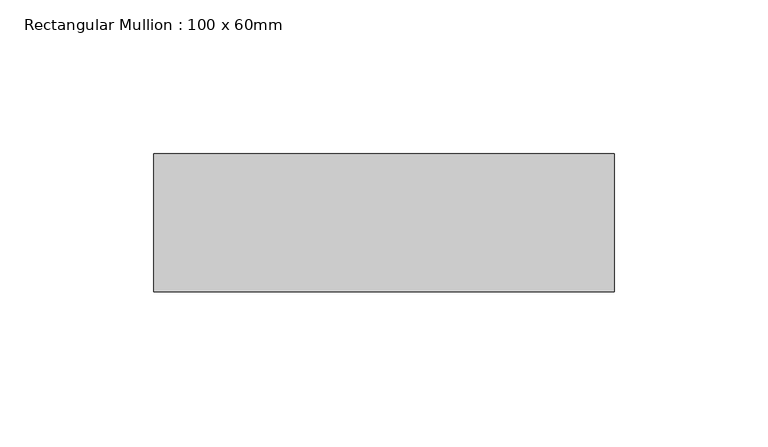
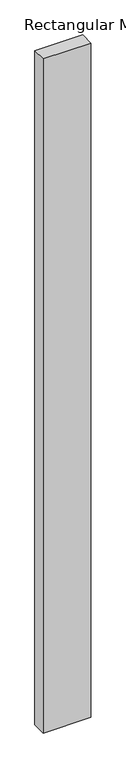
"""IFC4 building model written with IfcOpenShell, lengths in millimetres: member geometry, Rectangular Mullion : 100 x 60mm."""

from ifc_helpers import new_model, si_unit, frame, origin, place, context, project, spatial, polyline, outline, extrude, source, transform, mapped, element, save


def rectangular_mullion_100_x_60mm_a56eb6a5(model_context):
    return source(origin(), model_context, "Body", "SweptSolid", [
        extrude(outline(polyline([(0.0, -30.0), (-150.0, -30.0), (-150.0, 15.0), (0.0, 15.0), (0.0, -30.0)])), frame((0.0, 0.0, -2239.2635189), z_axis=(0.0, 0.0, 1.0), x_axis=(1.0, 0.0, 0.0)), (0.0, 0.0, 1.0), 2239.2635189),
    ])


if __name__ == "__main__":
    model = new_model("IFC4")
    model_context = context("Model", 3, world=origin())
    ifc_project = project(units=[si_unit("LENGTHUNIT", "METRE", prefix="MILLI")], contexts=[model_context])
    site = spatial("IfcSite", under=ifc_project)
    building = spatial("IfcBuilding", under=site)
    placement = place(None, origin())
    rectangular_mullion_100_x_60mm_shape = rectangular_mullion_100_x_60mm_a56eb6a5(model_context)
    element("IfcMember", 1, ObjectType="Rectangular Mullion : 100 x 60mm", at=placement, inside=building, context=model_context, shape_type="MappedRepresentation", body=[
        mapped(rectangular_mullion_100_x_60mm_shape, transform((0.0, 0.0, 0.0), x_axis=(1.0, 0.0, 0.0), y_axis=(0.0, 1.0, 0.0), z_axis=(0.0, 0.0, 1.0))),
    ])
    save(model, "model.ifc")
